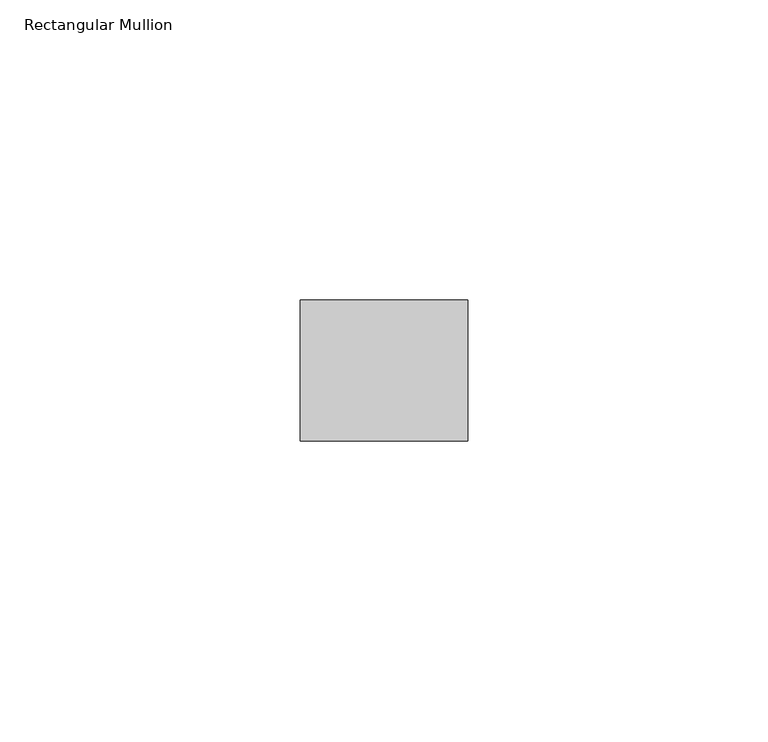
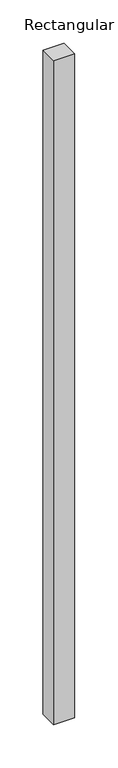
"""IFC4 building model written with IfcOpenShell, lengths in millimetres: member geometry, Rectangular Mullion."""

import ifcopenshell
import ifcopenshell.guid

model = None  # the IFC model being written
_history = None  # IfcOwnerHistory: only IFC2X3 demands one
_inside = {}  # id of a spatial element -> (the spatial element, [elements in it])
_under = {}  # id of a project, library or spatial element -> (it, [spatial elements below it])
_declared = {}  # id of a project -> (the project, [libraries it declares])
_typed = {}  # id of a type object -> (the type object, [elements of that type])
_made_of = {}  # id of a material, layer set ... -> (it, [elements and type objects made of it])


def new_model(schema):
    """Start an empty IFC model of exactly this schema.

    Asked for "IFC4X3", IfcOpenShell would pick the latest addendum, in which some entities
    have other attributes; the version numbers below select the first issue.
    IFC2X3 requires an IfcOwnerHistory on every rooted entity: one is made here for all.
    """
    global model, _history
    if schema == "IFC4X3":
        model = ifcopenshell.file(schema_version=(4, 3, 0, 0))
    else:
        model = ifcopenshell.file(schema=schema)
    _inside.clear()
    _under.clear()
    _declared.clear()
    _typed.clear()
    _made_of.clear()
    _history = None
    if model.schema == "IFC2X3":
        org = make("IfcOrganization", Name="unknown")
        user = make(
            "IfcPersonAndOrganization",
            ThePerson=make("IfcPerson", FamilyName="unknown"),
            TheOrganization=org,
        )
        app = make(
            "IfcApplication",
            ApplicationDeveloper=org,
            Version="unknown",
            ApplicationFullName="unknown",
            ApplicationIdentifier="unknown",
        )
        _history = make(
            "IfcOwnerHistory",
            OwningUser=user,
            OwningApplication=app,
            ChangeAction="ADDED",
            CreationDate=0,
        )
    return model


def make(cls, **values):
    """One entity of the class cls with the attributes given. An attribute that is None is left unset."""
    return model.create_entity(
        cls, **{name: value for name, value in values.items() if value is not None}
    )


def rooted(cls, **values):
    """An entity with a GlobalId (a new one), such as an element, a storey or a relation."""
    return make(cls, GlobalId=ifcopenshell.guid.new(), OwnerHistory=_history, **values)


def si_unit(unit_type, name, prefix=None):
    """IfcSIUnit, for example si_unit("LENGTHUNIT", "METRE", prefix="MILLI")."""
    return make("IfcSIUnit", UnitType=unit_type, Prefix=prefix, Name=name)


def assignment(units):
    """IfcUnitAssignment: the units of a project."""
    return None if units is None else make("IfcUnitAssignment", Units=units)


def point(xyz):
    """IfcCartesianPoint."""
    return None if xyz is None else make("IfcCartesianPoint", Coordinates=xyz)


def direction(xyz):
    """IfcDirection."""
    return None if xyz is None else make("IfcDirection", DirectionRatios=xyz)


def frame(location, z_axis=None, x_axis=None):
    """IfcAxis2Placement3D, a coordinate frame: its origin and axes. An axis left out is left unset."""
    return make(
        "IfcAxis2Placement3D",
        Location=point(location),
        Axis=direction(z_axis),
        RefDirection=direction(x_axis),
    )


def origin():
    """The frame at (0, 0, 0) with its axes left unset."""
    return frame((0.0, 0.0, 0.0))


def place(relative_to, where):
    """IfcLocalPlacement: puts the frame where relative to a parent placement (None: the world)."""
    return make(
        "IfcLocalPlacement", PlacementRelTo=relative_to, RelativePlacement=where
    )


def context(
    kind, dimensions, precision=None, world=None, true_north=None, identifier=None
):
    """IfcGeometricRepresentationContext, for example the 3D "Model" context."""
    return make(
        "IfcGeometricRepresentationContext",
        ContextIdentifier=identifier,
        ContextType=kind,
        CoordinateSpaceDimension=dimensions,
        Precision=precision,
        WorldCoordinateSystem=world,
        TrueNorth=true_north,
    )


def project(units=None, contexts=None):
    """IfcProject with its units and contexts."""
    return rooted(
        "IfcProject",
        Name="project",
        RepresentationContexts=contexts,
        UnitsInContext=assignment(units),
    )


def spatial(cls, under=None, at=None, **own):
    """A site, building, storey or space (cls), placed at a placement, below another one or the project."""
    s = rooted(cls, ObjectPlacement=at, **own)
    if under is not None:
        _under.setdefault(under.id(), (under, []))[1].append(s)
    return s


def polyline(points):
    """IfcPolyline through the points."""
    return make("IfcPolyline", Points=[point(p) for p in points])


def outline(outer, holes=None, kind="AREA"):
    """IfcArbitraryClosedProfileDef: a profile drawn as a closed curve; with holes, ...WithVoids."""
    if holes is None:
        return make("IfcArbitraryClosedProfileDef", ProfileType=kind, OuterCurve=outer)
    return make(
        "IfcArbitraryProfileDefWithVoids",
        ProfileType=kind,
        OuterCurve=outer,
        InnerCurves=holes,
    )


def extrude(swept, where, along, depth):
    """IfcExtrudedAreaSolid: the profile swept, set in the frame where, extruded along a direction by depth."""
    return make(
        "IfcExtrudedAreaSolid",
        SweptArea=swept,
        Position=where,
        ExtrudedDirection=direction(along),
        Depth=depth,
    )


def shape(context_of_items, identifier, shape_type, items):
    """IfcShapeRepresentation: the items that make up one representation, for example the "Body"."""
    return make(
        "IfcShapeRepresentation",
        ContextOfItems=context_of_items,
        RepresentationIdentifier=identifier,
        RepresentationType=shape_type,
        Items=items,
    )


def source(mapping_origin, context_of_items, identifier, shape_type, items):
    """IfcRepresentationMap: a shape defined once, which mapped items show again and again."""
    return make(
        "IfcRepresentationMap",
        MappingOrigin=mapping_origin,
        MappedRepresentation=shape(context_of_items, identifier, shape_type, items),
    )


def transform(
    local_origin,
    x_axis=None,
    y_axis=None,
    z_axis=None,
    scale=None,
    scale2=None,
    scale3=None,
    uniform=True,
):
    """IfcCartesianTransformationOperator3D, or its non-uniform kind. x_axis, y_axis, z_axis: its Axis1, 2, 3."""
    if uniform:
        return make(
            "IfcCartesianTransformationOperator3D",
            Axis1=direction(x_axis),
            Axis2=direction(y_axis),
            LocalOrigin=point(local_origin),
            Scale=scale,
            Axis3=direction(z_axis),
        )
    return make(
        "IfcCartesianTransformationOperator3DnonUniform",
        Axis1=direction(x_axis),
        Axis2=direction(y_axis),
        LocalOrigin=point(local_origin),
        Scale=scale,
        Axis3=direction(z_axis),
        Scale2=scale2,
        Scale3=scale3,
    )


def mapped(mapping_source, mapping_target):
    """IfcMappedItem: shows the shape of a source again, moved by a transform."""
    return make(
        "IfcMappedItem", MappingSource=mapping_source, MappingTarget=mapping_target
    )


def made_of(thing, what):
    """Note that an element or type object is made of a material, layer set ...; save() writes the relation."""
    if what is not None:
        _made_of.setdefault(what.id(), (what, []))[1].append(thing)
    return thing


def element(
    cls,
    number,
    at=None,
    inside=None,
    cuts=None,
    type_object=None,
    material=None,
    context=None,
    identifier="Body",
    shape_type=None,
    held_by="IfcProductDefinitionShape",
    body=None,
    shapes=None,
    **own,
):
    """One element of the class cls, such as IfcWall. Its Tag is "e" and its number.

    at: its placement. inside: the storey or other place that contains it. cuts: it is an
    opening in that element (IfcRelVoidsElement). A single representation is given by context,
    identifier, shape_type and body (its items); several are given by shapes. held_by: the class
    of the entity that holds the representations. save() writes the other relations.
    """
    e = rooted(cls, Tag="e%d" % number, ObjectPlacement=at, **own)
    if body is not None:
        shapes = [shape(context, identifier, shape_type, body)]
    if shapes is not None:
        e.Representation = make(held_by, Representations=shapes)
    if inside is not None:
        _inside.setdefault(inside.id(), (inside, []))[1].append(e)
    if cuts is not None:
        rooted(
            "IfcRelVoidsElement", RelatingBuildingElement=cuts, RelatedOpeningElement=e
        )
    if type_object is not None:
        _typed.setdefault(type_object.id(), (type_object, []))[1].append(e)
    return made_of(e, material)


def aggregate(whole, parts):
    """IfcRelAggregates: a whole, such as a stair, and the parts it consists of."""
    return rooted("IfcRelAggregates", RelatingObject=whole, RelatedObjects=parts)


def save(model, path):
    """Write the relations noted so far, then the file.

    IfcRelAggregates (storeys below a building ...), IfcRelContainedInSpatialStructure (elements
    in a storey), IfcRelDefinesByType, IfcRelAssociatesMaterial and IfcRelDeclares: one each for
    every whole, place, type object, material and project.
    """
    for whole, parts in _under.values():
        aggregate(whole, parts)
    for where, things in _inside.values():
        rooted(
            "IfcRelContainedInSpatialStructure",
            RelatedElements=things,
            RelatingStructure=where,
        )
    for kind, things in _typed.values():
        rooted("IfcRelDefinesByType", RelatedObjects=things, RelatingType=kind)
    for what, things in _made_of.values():
        rooted("IfcRelAssociatesMaterial", RelatedObjects=things, RelatingMaterial=what)
    for by, libraries in _declared.values():
        rooted("IfcRelDeclares", RelatingContext=by, RelatedDefinitions=libraries)
    model.write(path)


def rectangular_mullion_c8cdf43f(model_context):
    return source(origin(), model_context, "Body", "SweptSolid", [
        extrude(outline(polyline([(0.0, -11.7474999), (-27.94, -11.7474999), (-27.94, 11.7474999), (0.0, 11.7474999), (0.0, -11.7474999)])), frame((0.0, 0.0, -933.45), z_axis=(0.0, 0.0, 1.0), x_axis=(1.0, 0.0, 0.0)), (0.0, 0.0, 1.0), 933.45),
    ])


if __name__ == "__main__":
    model = new_model("IFC4")
    model_context = context("Model", 3, world=origin())
    ifc_project = project(units=[si_unit("LENGTHUNIT", "METRE", prefix="MILLI")], contexts=[model_context])
    site = spatial("IfcSite", under=ifc_project)
    building = spatial("IfcBuilding", under=site)
    placement = place(None, origin())
    rectangular_mullion_shape = rectangular_mullion_c8cdf43f(model_context)
    element("IfcMember", 1, ObjectType="Rectangular Mullion", at=placement, inside=building, context=model_context, shape_type="MappedRepresentation", body=[
        mapped(rectangular_mullion_shape, transform((0.0, 0.0, 0.0), x_axis=(1.0, 0.0, 0.0), y_axis=(0.0, 1.0, 0.0), z_axis=(0.0, 0.0, 1.0))),
    ])
    save(model, "model.ifc")
